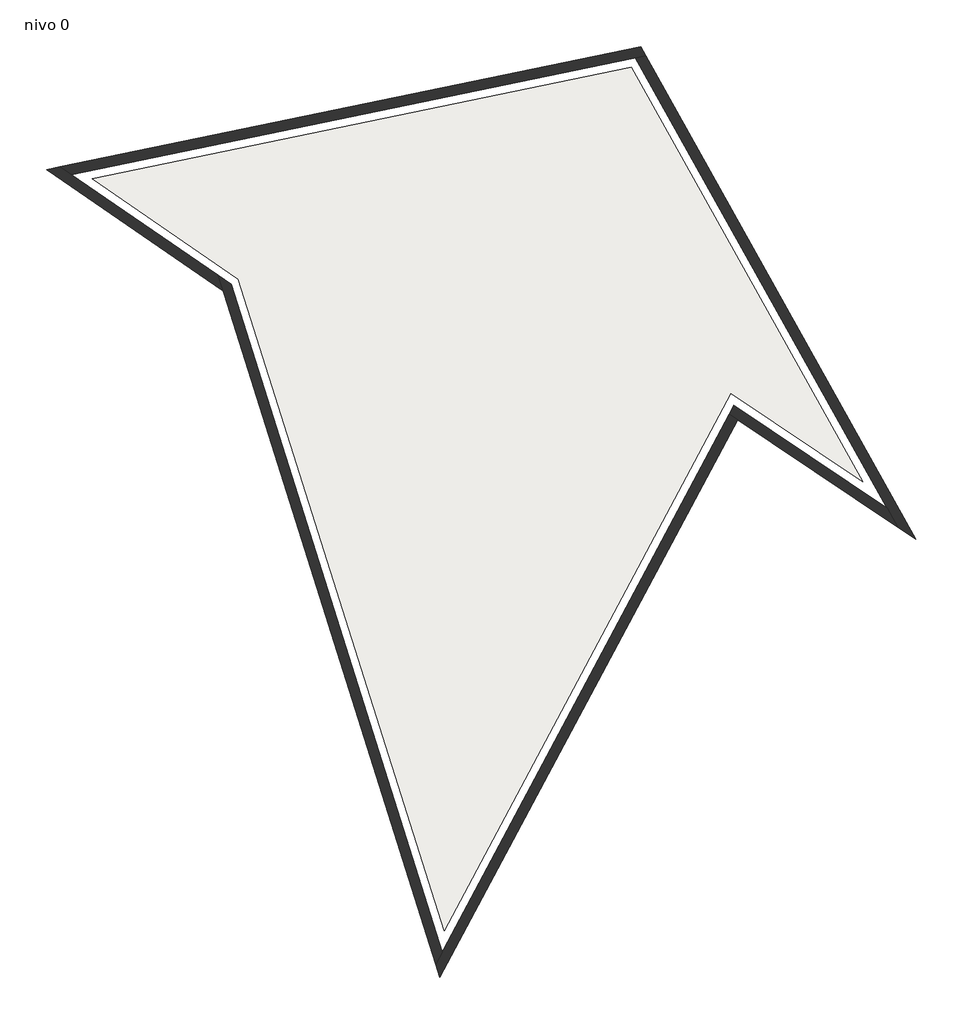
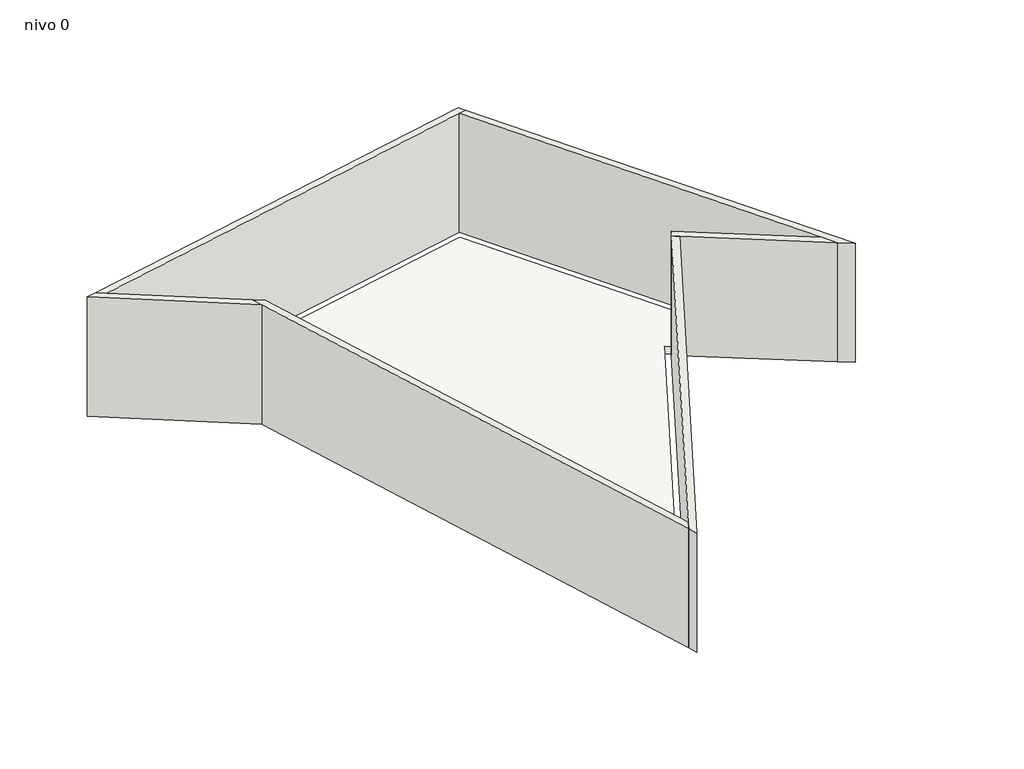
# One storey: 6 walls, 1 slab.
"""IFC4 building model written with IfcOpenShell, lengths in millimetres."""

from ifc_helpers import new_model, si_unit, frame, origin, place, context, project, spatial, polyline, outline, extrude, faceted_brep, element, save

model = new_model("IFC4")

# Units and contexts
model_context = context("Model", 3, world=origin())
ifc_project = project(units=[si_unit("LENGTHUNIT", "METRE", prefix="MILLI")], contexts=[model_context])

# Site, building, storey
site = spatial("IfcSite", under=ifc_project)
building = spatial("IfcBuilding", under=site)
storey = spatial("IfcBuildingStorey", under=building, Name="nivo 0", Elevation=20.0)

# Slab
placement = place(None, origin())
element("IfcSlab", 1, ObjectType="Insitu Concrete 225mm", at=placement, inside=storey, context=model_context, shape_type="SweptSolid", body=[
    extrude(outline(polyline([(-2062.0199405, -31162.3646231), (-6228.516234, -17972.8061312), (-9187.2528661, -15943.0567395), (1722.7615386, -13683.5722051), (6412.7808991, -22075.6027442), (3742.5524022, -20284.2663352), (-2062.0199405, -31162.3646231)])), frame((0.0, 0.0, -205.0), z_axis=(0.0, 0.0, 1.0), x_axis=(1.0, 0.0, 0.0)), (0.0, 0.0, 1.0), 225.0),
])

# Walls
element("IfcWall", 2, ObjectType="Generic - 200mm", at=placement, inside=storey, context=model_context, shape_type="Brep", body=[
    faceted_brep([(-2102.3518703, -31599.0574789, 20.0), (-6372.9791544, -18079.8594782, 20.0), (-6372.9791544, -18079.8594782, 3620.0), (-2102.3518703, -31599.0574789, 3620.0), (-2234.0989205, -31845.9589347, 20.0), (-2234.0989205, -31845.9589347, 3620.0), (-6542.9355313, -18205.8045924, 3620.0), (-6640.7488745, -17896.1643765, 3620.0), (-6640.7488745, -17896.1643765, 20.0), (-6542.9355313, -18205.8045924, 20.0)], [[[0, 1, 2, 3]], [[4, 5, 6, 7, 8, 9]], [[1, 0, 4, 9, 8]], [[3, 2, 7, 6, 5]], [[2, 1, 8, 7]], [[0, 3, 5, 4]]]),
])
element("IfcWall", 3, ObjectType="Generic - 200mm", at=placement, inside=storey, context=model_context, shape_type="Brep", body=[
    faceted_brep([(-6640.7488745, -17896.1643765, 20.0), (-9612.4642253, -15857.5113379, 20.0), (-9841.1500661, -15700.628518, 20.0), (-9841.1500661, -15700.628518, 3620.0), (-9612.4642253, -15857.5113379, 3620.0), (-6640.7488745, -17896.1643765, 3620.0), (-6542.9355313, -18205.8045924, 20.0), (-6542.9355313, -18205.8045924, 3620.0), (-10112.7128832, -15756.869689, 3620.0), (-10112.7128832, -15756.869689, 20.0)], [[[0, 1, 2, 3, 4, 5]], [[6, 7, 8, 9]], [[2, 1, 0, 6, 9]], [[5, 4, 3, 8, 7]], [[0, 5, 7, 6]], [[3, 2, 9, 8]]]),
])
element("IfcWall", 4, ObjectType="Generic - 200mm", at=placement, inside=storey, context=model_context, shape_type="Brep", body=[
    faceted_brep([(-9612.4642253, -15857.5113379, 20.0), (1810.3477598, -13491.8254587, 20.0), (2015.694517, -13449.2977584, 20.0), (2015.694517, -13449.2977584, 3620.0), (1810.3477598, -13491.8254587, 3620.0), (-9612.4642253, -15857.5113379, 3620.0), (-9841.1500661, -15700.628518, 20.0), (-9841.1500661, -15700.628518, 3620.0), (1913.3903729, -13266.2410511, 3620.0), (1913.3903729, -13266.2410511, 20.0)], [[[0, 1, 2, 3, 4, 5]], [[6, 7, 8, 9]], [[2, 1, 0, 6, 9]], [[5, 4, 3, 8, 7]], [[0, 5, 7, 6]], [[3, 2, 9, 8]]]),
])
element("IfcWall", 5, ObjectType="Generic - 200mm", at=placement, inside=storey, context=model_context, shape_type="Brep", body=[
    faceted_brep([(1810.3477598, -13491.8254587, 20.0), (6907.3601521, -22612.104154, 20.0), (7122.6837194, -22997.3908263, 20.0), (7122.6837194, -22997.3908263, 3620.0), (6907.3601521, -22612.104154, 3620.0), (1810.3477598, -13491.8254587, 3620.0), (2015.694517, -13449.2977584, 20.0), (2015.694517, -13449.2977584, 3620.0), (7489.2180969, -23243.2822833, 3620.0), (7489.2180969, -23243.2822833, 20.0)], [[[0, 1, 2, 3, 4, 5]], [[6, 7, 8, 9]], [[2, 1, 0, 6, 9]], [[5, 4, 3, 8, 7]], [[0, 5, 7, 6]], [[3, 2, 9, 8]]]),
])
element("IfcWall", 6, ObjectType="Generic - 200mm", at=placement, inside=storey, context=model_context, shape_type="Brep", body=[
    faceted_brep([(6907.3601521, -22612.104154, 20.0), (3804.0076271, -20530.2042812, 20.0), (3804.0076271, -20530.2042812, 3620.0), (6907.3601521, -22612.104154, 3620.0), (7122.6837194, -22997.3908263, 20.0), (7122.6837194, -22997.3908263, 3620.0), (3876.3078917, -20819.5430413, 3620.0), (3709.3734049, -20707.5541892, 3620.0), (3709.3734049, -20707.5541892, 20.0), (3876.3078917, -20819.5430413, 20.0)], [[[0, 1, 2, 3]], [[4, 5, 6, 7, 8, 9]], [[1, 0, 4, 9, 8]], [[3, 2, 7, 6, 5]], [[0, 3, 5, 4]], [[2, 1, 8, 7]]]),
])
element("IfcWall", 7, ObjectType="Generic - 200mm", at=placement, inside=storey, context=model_context, shape_type="Brep", body=[
    faceted_brep([(3709.3734049, -20707.5541892, 20.0), (-2102.3518703, -31599.0574789, 20.0), (-2234.0989205, -31845.9589347, 20.0), (-2234.0989205, -31845.9589347, 3620.0), (-2102.3518703, -31599.0574789, 3620.0), (3709.3734049, -20707.5541892, 3620.0), (3876.3078917, -20819.5430413, 20.0), (3876.3078917, -20819.5430413, 3620.0), (-2149.8011994, -32112.8137798, 3620.0), (-2149.8011994, -32112.8137798, 20.0)], [[[0, 1, 2, 3, 4, 5]], [[6, 7, 8, 9]], [[2, 1, 0, 6, 9]], [[5, 4, 3, 8, 7]], [[0, 5, 7, 6]], [[3, 2, 9, 8]]]),
])

save(model, "model.ifc")
